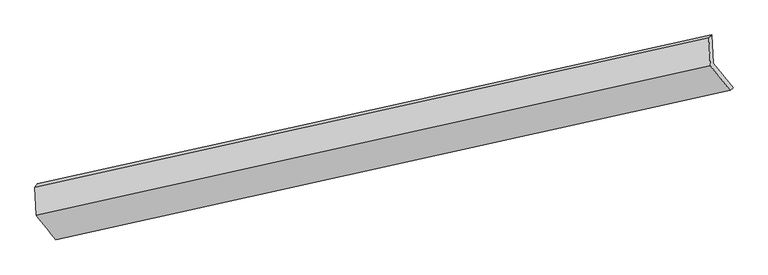
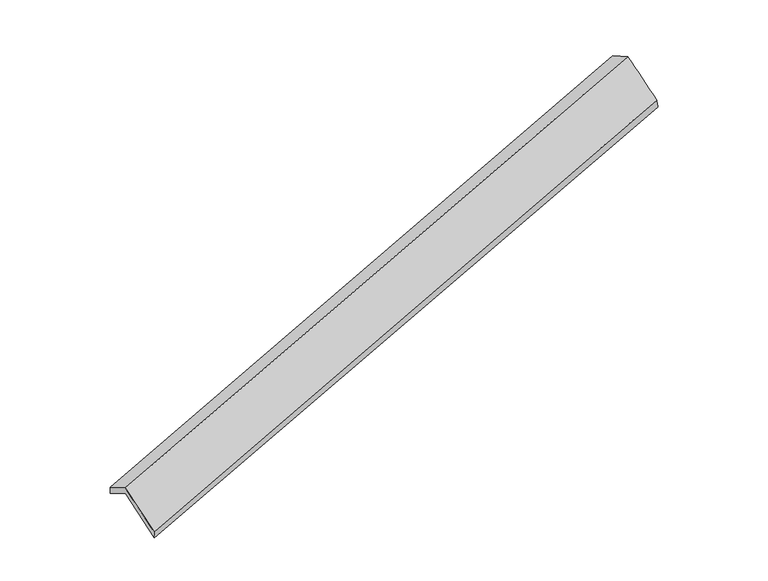
"""IFC4 building model written with IfcOpenShell, lengths in millimetres: proxy geometry."""

from ifc_helpers import new_model, si_unit, frame, origin, place, context, project, spatial, source, transform, mapped, element, save
from ifc_brep_helpers import plane_surface, spline_surface, advanced_brep


def generic_models_8676aaf6(model_context):
    return source(origin(), model_context, "Body", "AdvancedBrep", [
        advanced_brep(
        [(-7532.8346489, -2518.7333035, 724.7735227), (-7552.7015061, -2133.9582192, 511.593355), (1662.3373401, -99.5422406, 3328.4628151), (1682.2041973, -484.3173249, 3541.6429828), (-7585.6486895, -2178.8095657, 652.0420158), (1621.7883345, -135.7255612, 3485.2650831), (-7565.6812956, -2565.5318146, 866.3009874), (1641.7557285, -522.4478101, 3699.5240547), (-7299.7475074, -2900.5500394, 236.8337357), (1911.336985, -856.656089, 3071.1787801), (-7266.8634638, -2853.7986402, 95.2177521), (1951.8233637, -818.5726018, 2913.2093471)],
        [
            (0, 1),
            (1, 2),
            (2, 3),
            (3, 0),
            (1, 4),
            (4, 5),
            (5, 2),
            (4, 6),
            (6, 7),
            (7, 5),
            (6, 8),
            (8, 9),
            (9, 7),
            (8, 10),
            (10, 11),
            (11, 9),
            (10, 0),
            (3, 11),
        ],
        [
            plane_surface(frame((-7542.7680775, -2326.3457613, 618.1834389), z_axis=(0.34994546958218165, -0.44009599659184473, -0.8269544619280662), x_axis=(-0.045117896385309865, 0.8738293234880137, -0.4841349903056427))),
            spline_surface(1, 1, [[(-7552.7015061, -2133.9582192, 511.593355), (1662.3373401, -99.5422406, 3328.4628151)], [(-7585.6486895, -2178.8095657, 652.0420158), (1621.7883345, -135.7255612, 3485.2650831)]], [2, 2], [2, 2], [0.0, 1.0], [0.0, 1.0]),
            plane_surface(frame((-7575.6649926, -2372.1706902, 759.1715016), z_axis=(-0.3518449194225889, 0.439675262156061, 0.8263720811623001), x_axis=(0.04511789638529035, -0.8738293234879726, 0.48413499030571894))),
            spline_surface(1, 1, [[(-7565.6812956, -2565.5318146, 866.3009874), (1641.7557285, -522.4478101, 3699.5240547)], [(-7299.7475074, -2900.5500394, 236.8337357), (1911.336985, -856.656089, 3071.1787801)]], [2, 2], [2, 2], [0.0, 1.0], [0.0, 1.0]),
            spline_surface(1, 1, [[(-7299.7475074, -2900.5500394, 236.8337357), (1911.336985, -856.656089, 3071.1787801)], [(-7266.8634638, -2853.7986402, 95.2177521), (1951.8233637, -818.5726018, 2913.2093471)]], [2, 2], [2, 2], [0.0, 1.0], [0.0, 1.0]),
            spline_surface(1, 1, [[(-7266.8634638, -2853.7986402, 95.2177521), (1951.8233637, -818.5726018, 2913.2093471)], [(-7532.8346489, -2518.7333035, 724.7735227), (1682.2041973, -484.3173249, 3541.6429828)]], [2, 2], [2, 2], [0.0, 1.0], [0.0, 1.0]),
            plane_surface(frame((1745.2076582, -486.2102713, 3339.8805105), z_axis=(0.934070876542273, 0.2087441296584281, 0.2897196678320187), x_axis=(0.24176319608368577, 0.22741440110328748, -0.9433097302531308))),
            plane_surface(frame((-7467.2461852, -2525.2302638, 514.4602281), z_axis=(-0.9358743738549612, -0.20649032145450733, -0.2854836308918583), x_axis=(0.34943315782472023, -0.4402091100352706, -0.8271108799034137))),
        ],
        [
            (0, [[1, 2, 3, 4]]),
            (1, [[5, 6, 7, -2]]),
            (2, [[8, 9, 10, -6]]),
            (3, [[11, 12, 13, -9]]),
            (4, [[14, 15, 16, -12]]),
            (5, [[17, -4, 18, -15]]),
            (6, [[-16, -18, -3, -7, -10, -13]]),
            (7, [[-17, -14, -11, -8, -5, -1]]),
        ],
    ),
    ])


if __name__ == "__main__":
    model = new_model("IFC4")
    model_context = context("Model", 3, world=origin())
    ifc_project = project(units=[si_unit("LENGTHUNIT", "METRE", prefix="MILLI")], contexts=[model_context])
    site = spatial("IfcSite", under=ifc_project)
    building = spatial("IfcBuilding", under=site)
    placement = place(None, origin())
    generic_models_shape = generic_models_8676aaf6(model_context)
    element("IfcBuildingElementProxy", 1, Name="Generic Models", at=placement, inside=building, context=model_context, shape_type="MappedRepresentation", body=[
        mapped(generic_models_shape, transform((0.0, 0.0, 0.0), x_axis=(1.0, 0.0, 0.0), y_axis=(0.0, 1.0, 0.0), z_axis=(0.0, 0.0, 1.0))),
    ])
    save(model, "model.ifc")
